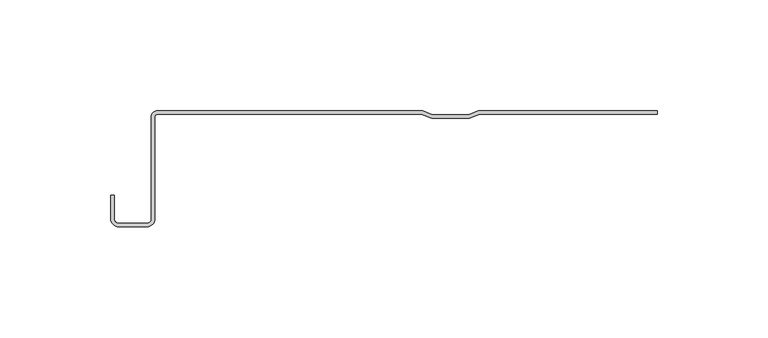
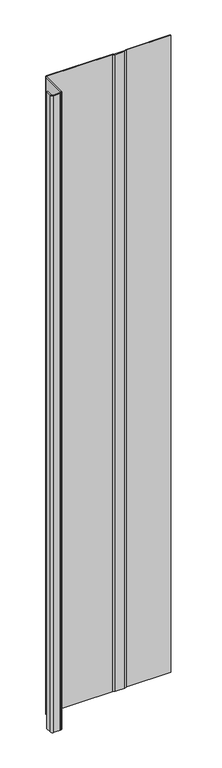
"""IFC4 building model written with IfcOpenShell, lengths in millimetres: plate geometry."""

import ifcopenshell
import ifcopenshell.guid

model = None  # the IFC model being written
_history = None  # IfcOwnerHistory: only IFC2X3 demands one
_inside = {}  # id of a spatial element -> (the spatial element, [elements in it])
_under = {}  # id of a project, library or spatial element -> (it, [spatial elements below it])
_declared = {}  # id of a project -> (the project, [libraries it declares])
_typed = {}  # id of a type object -> (the type object, [elements of that type])
_made_of = {}  # id of a material, layer set ... -> (it, [elements and type objects made of it])


def new_model(schema):
    """Start an empty IFC model of exactly this schema.

    Asked for "IFC4X3", IfcOpenShell would pick the latest addendum, in which some entities
    have other attributes; the version numbers below select the first issue.
    IFC2X3 requires an IfcOwnerHistory on every rooted entity: one is made here for all.
    """
    global model, _history
    if schema == "IFC4X3":
        model = ifcopenshell.file(schema_version=(4, 3, 0, 0))
    else:
        model = ifcopenshell.file(schema=schema)
    _inside.clear()
    _under.clear()
    _declared.clear()
    _typed.clear()
    _made_of.clear()
    _history = None
    if model.schema == "IFC2X3":
        org = make("IfcOrganization", Name="unknown")
        user = make(
            "IfcPersonAndOrganization",
            ThePerson=make("IfcPerson", FamilyName="unknown"),
            TheOrganization=org,
        )
        app = make(
            "IfcApplication",
            ApplicationDeveloper=org,
            Version="unknown",
            ApplicationFullName="unknown",
            ApplicationIdentifier="unknown",
        )
        _history = make(
            "IfcOwnerHistory",
            OwningUser=user,
            OwningApplication=app,
            ChangeAction="ADDED",
            CreationDate=0,
        )
    return model


def make(cls, **values):
    """One entity of the class cls with the attributes given. An attribute that is None is left unset."""
    return model.create_entity(
        cls, **{name: value for name, value in values.items() if value is not None}
    )


def rooted(cls, **values):
    """An entity with a GlobalId (a new one), such as an element, a storey or a relation."""
    return make(cls, GlobalId=ifcopenshell.guid.new(), OwnerHistory=_history, **values)


def si_unit(unit_type, name, prefix=None):
    """IfcSIUnit, for example si_unit("LENGTHUNIT", "METRE", prefix="MILLI")."""
    return make("IfcSIUnit", UnitType=unit_type, Prefix=prefix, Name=name)


def assignment(units):
    """IfcUnitAssignment: the units of a project."""
    return None if units is None else make("IfcUnitAssignment", Units=units)


def point(xyz):
    """IfcCartesianPoint."""
    return None if xyz is None else make("IfcCartesianPoint", Coordinates=xyz)


def direction(xyz):
    """IfcDirection."""
    return None if xyz is None else make("IfcDirection", DirectionRatios=xyz)


def frame(location, z_axis=None, x_axis=None):
    """IfcAxis2Placement3D, a coordinate frame: its origin and axes. An axis left out is left unset."""
    return make(
        "IfcAxis2Placement3D",
        Location=point(location),
        Axis=direction(z_axis),
        RefDirection=direction(x_axis),
    )


def frame_2d(location, x_axis=None):
    """IfcAxis2Placement2D, a coordinate frame in the plane: its origin and x axis."""
    return make(
        "IfcAxis2Placement2D", Location=point(location), RefDirection=direction(x_axis)
    )


def origin():
    """The frame at (0, 0, 0) with its axes left unset."""
    return frame((0.0, 0.0, 0.0))


def origin_with_axes():
    """The frame at (0, 0, 0) with the z axis (0, 0, 1) and the x axis (1, 0, 0) written out."""
    return frame((0.0, 0.0, 0.0), z_axis=(0.0, 0.0, 1.0), x_axis=(1.0, 0.0, 0.0))


def place(relative_to, where):
    """IfcLocalPlacement: puts the frame where relative to a parent placement (None: the world)."""
    return make(
        "IfcLocalPlacement", PlacementRelTo=relative_to, RelativePlacement=where
    )


def context(
    kind, dimensions, precision=None, world=None, true_north=None, identifier=None
):
    """IfcGeometricRepresentationContext, for example the 3D "Model" context."""
    return make(
        "IfcGeometricRepresentationContext",
        ContextIdentifier=identifier,
        ContextType=kind,
        CoordinateSpaceDimension=dimensions,
        Precision=precision,
        WorldCoordinateSystem=world,
        TrueNorth=true_north,
    )


def project(units=None, contexts=None):
    """IfcProject with its units and contexts."""
    return rooted(
        "IfcProject",
        Name="project",
        RepresentationContexts=contexts,
        UnitsInContext=assignment(units),
    )


def spatial(cls, under=None, at=None, **own):
    """A site, building, storey or space (cls), placed at a placement, below another one or the project."""
    s = rooted(cls, ObjectPlacement=at, **own)
    if under is not None:
        _under.setdefault(under.id(), (under, []))[1].append(s)
    return s


def polyline(points):
    """IfcPolyline through the points."""
    return make("IfcPolyline", Points=[point(p) for p in points])


def circle_curve(where, radius):
    """IfcCircle in the frame where."""
    return make("IfcCircle", Position=where, Radius=radius)


def trimmed(basis, trim1, trim2, sense, master):
    """IfcTrimmedCurve: the piece of a basis curve between two trims."""
    return make(
        "IfcTrimmedCurve",
        BasisCurve=basis,
        Trim1=trim1,
        Trim2=trim2,
        SenseAgreement=sense,
        MasterRepresentation=master,
    )


def segment(curve, same_sense, transition):
    """IfcCompositeCurveSegment."""
    return make(
        "IfcCompositeCurveSegment",
        Transition=transition,
        SameSense=same_sense,
        ParentCurve=curve,
    )


def composite_curve(segments, self_intersect=None):
    """IfcCompositeCurve: segments joined end to end."""
    return make("IfcCompositeCurve", Segments=segments, SelfIntersect=self_intersect)


def outline(outer, holes=None, kind="AREA"):
    """IfcArbitraryClosedProfileDef: a profile drawn as a closed curve; with holes, ...WithVoids."""
    if holes is None:
        return make("IfcArbitraryClosedProfileDef", ProfileType=kind, OuterCurve=outer)
    return make(
        "IfcArbitraryProfileDefWithVoids",
        ProfileType=kind,
        OuterCurve=outer,
        InnerCurves=holes,
    )


def extrude(swept, where, along, depth):
    """IfcExtrudedAreaSolid: the profile swept, set in the frame where, extruded along a direction by depth."""
    return make(
        "IfcExtrudedAreaSolid",
        SweptArea=swept,
        Position=where,
        ExtrudedDirection=direction(along),
        Depth=depth,
    )


def shape(context_of_items, identifier, shape_type, items):
    """IfcShapeRepresentation: the items that make up one representation, for example the "Body"."""
    return make(
        "IfcShapeRepresentation",
        ContextOfItems=context_of_items,
        RepresentationIdentifier=identifier,
        RepresentationType=shape_type,
        Items=items,
    )


def source(mapping_origin, context_of_items, identifier, shape_type, items):
    """IfcRepresentationMap: a shape defined once, which mapped items show again and again."""
    return make(
        "IfcRepresentationMap",
        MappingOrigin=mapping_origin,
        MappedRepresentation=shape(context_of_items, identifier, shape_type, items),
    )


def transform(
    local_origin,
    x_axis=None,
    y_axis=None,
    z_axis=None,
    scale=None,
    scale2=None,
    scale3=None,
    uniform=True,
):
    """IfcCartesianTransformationOperator3D, or its non-uniform kind. x_axis, y_axis, z_axis: its Axis1, 2, 3."""
    if uniform:
        return make(
            "IfcCartesianTransformationOperator3D",
            Axis1=direction(x_axis),
            Axis2=direction(y_axis),
            LocalOrigin=point(local_origin),
            Scale=scale,
            Axis3=direction(z_axis),
        )
    return make(
        "IfcCartesianTransformationOperator3DnonUniform",
        Axis1=direction(x_axis),
        Axis2=direction(y_axis),
        LocalOrigin=point(local_origin),
        Scale=scale,
        Axis3=direction(z_axis),
        Scale2=scale2,
        Scale3=scale3,
    )


def mapped(mapping_source, mapping_target):
    """IfcMappedItem: shows the shape of a source again, moved by a transform."""
    return make(
        "IfcMappedItem", MappingSource=mapping_source, MappingTarget=mapping_target
    )


def made_of(thing, what):
    """Note that an element or type object is made of a material, layer set ...; save() writes the relation."""
    if what is not None:
        _made_of.setdefault(what.id(), (what, []))[1].append(thing)
    return thing


def element(
    cls,
    number,
    at=None,
    inside=None,
    cuts=None,
    type_object=None,
    material=None,
    context=None,
    identifier="Body",
    shape_type=None,
    held_by="IfcProductDefinitionShape",
    body=None,
    shapes=None,
    **own,
):
    """One element of the class cls, such as IfcWall. Its Tag is "e" and its number.

    at: its placement. inside: the storey or other place that contains it. cuts: it is an
    opening in that element (IfcRelVoidsElement). A single representation is given by context,
    identifier, shape_type and body (its items); several are given by shapes. held_by: the class
    of the entity that holds the representations. save() writes the other relations.
    """
    e = rooted(cls, Tag="e%d" % number, ObjectPlacement=at, **own)
    if body is not None:
        shapes = [shape(context, identifier, shape_type, body)]
    if shapes is not None:
        e.Representation = make(held_by, Representations=shapes)
    if inside is not None:
        _inside.setdefault(inside.id(), (inside, []))[1].append(e)
    if cuts is not None:
        rooted(
            "IfcRelVoidsElement", RelatingBuildingElement=cuts, RelatedOpeningElement=e
        )
    if type_object is not None:
        _typed.setdefault(type_object.id(), (type_object, []))[1].append(e)
    return made_of(e, material)


def aggregate(whole, parts):
    """IfcRelAggregates: a whole, such as a stair, and the parts it consists of."""
    return rooted("IfcRelAggregates", RelatingObject=whole, RelatedObjects=parts)


def save(model, path):
    """Write the relations noted so far, then the file.

    IfcRelAggregates (storeys below a building ...), IfcRelContainedInSpatialStructure (elements
    in a storey), IfcRelDefinesByType, IfcRelAssociatesMaterial and IfcRelDeclares: one each for
    every whole, place, type object, material and project.
    """
    for whole, parts in _under.values():
        aggregate(whole, parts)
    for where, things in _inside.values():
        rooted(
            "IfcRelContainedInSpatialStructure",
            RelatedElements=things,
            RelatingStructure=where,
        )
    for kind, things in _typed.values():
        rooted("IfcRelDefinesByType", RelatedObjects=things, RelatingType=kind)
    for what, things in _made_of.values():
        rooted("IfcRelAssociatesMaterial", RelatedObjects=things, RelatingMaterial=what)
    for by, libraries in _declared.values():
        rooted("IfcRelDeclares", RelatingContext=by, RelatedDefinitions=libraries)
    model.write(path)


def plate_13a101cd(model_context):
    return source(origin(), model_context, "Body", "SweptSolid", [
        extrude(outline(composite_curve([segment(polyline([(8.236163, -1.5980513), (-111.0104877, -1.5980513)]), True, "CONTINUOUS"), segment(trimmed(circle_curve(frame_2d((-111.0104877, -2.7400216)), 1.1419703), [point((-111.0104877, -1.5980513))], [point((-112.152458, -2.7400216))], True, "CARTESIAN"), True, "CONTINUOUS"), segment(polyline([(-112.152458, -2.7400216), (-112.152458, -48.8784494)]), True, "CONTINUOUS"), segment(trimmed(circle_curve(frame_2d((-115.7834285, -48.8784494)), 3.6309705), [point((-112.152458, -48.8784494))], [point((-115.7834285, -52.5094199))], False, "CARTESIAN"), True, "CONTINUOUS"), segment(polyline([(-115.7834285, -52.5094199), (-128.5112707, -52.5094199)]), True, "CONTINUOUS"), segment(trimmed(circle_curve(frame_2d((-128.5112707, -48.8784494)), 3.6309705), [point((-128.5112707, -52.5094199))], [point((-132.1422412, -48.8784494))], False, "CARTESIAN"), True, "CONTINUOUS"), segment(polyline([(-132.1422412, -48.8784494), (-132.1422412, -38.1835265), (-130.5441899, -38.1835265), (-130.5441899, -48.8784494)]), True, "CONTINUOUS"), segment(trimmed(circle_curve(frame_2d((-128.5112707, -48.8784494)), 2.0329192), [point((-130.5441899, -48.8784494))], [point((-128.5112707, -50.9113686))], True, "CARTESIAN"), True, "CONTINUOUS"), segment(polyline([(-128.5112707, -50.9113686), (-115.7834285, -50.9113686)]), True, "CONTINUOUS"), segment(trimmed(circle_curve(frame_2d((-115.7834285, -48.8784494)), 2.0329192), [point((-115.7834285, -50.9113686))], [point((-113.7505093, -48.8784494))], True, "CARTESIAN"), True, "CONTINUOUS"), segment(polyline([(-113.7505093, -48.8784494), (-113.7505093, -2.7400216)]), True, "CONTINUOUS"), segment(trimmed(circle_curve(frame_2d((-111.0104877, -2.7400216)), 2.7400216), [point((-113.7505093, -2.7400216))], [point((-111.0104877, 0.0))], False, "CARTESIAN"), True, "CONTINUOUS"), segment(polyline([(-111.0104877, 0.0), (8.781911, 0.0), (13.2042955, -1.7689538), (29.5972929, -1.7689538), (34.0196774, 0.0), (114.9042607, 0.0), (114.9042607, -1.5980513), (34.5654254, -1.5980513), (29.9220714, -3.4553929), (12.879517, -3.4553929), (8.236163, -1.5980513)]), True, "CONTINUOUS")], self_intersect=False)), origin_with_axes(), (0.0, 0.0, 1.0), 1228.3559792),
    ])


if __name__ == "__main__":
    model = new_model("IFC4")
    model_context = context("Model", 3, world=origin())
    ifc_project = project(units=[si_unit("LENGTHUNIT", "METRE", prefix="MILLI")], contexts=[model_context])
    site = spatial("IfcSite", under=ifc_project)
    building = spatial("IfcBuilding", under=site)
    placement = place(None, origin())
    plate_shape = plate_13a101cd(model_context)
    element("IfcPlate", 1, at=placement, inside=building, context=model_context, shape_type="MappedRepresentation", body=[
        mapped(plate_shape, transform((0.0, 0.0, 0.0), x_axis=(1.0, 0.0, 0.0), y_axis=(0.0, 1.0, 0.0), z_axis=(0.0, 0.0, 1.0))),
    ])
    save(model, "model.ifc")
